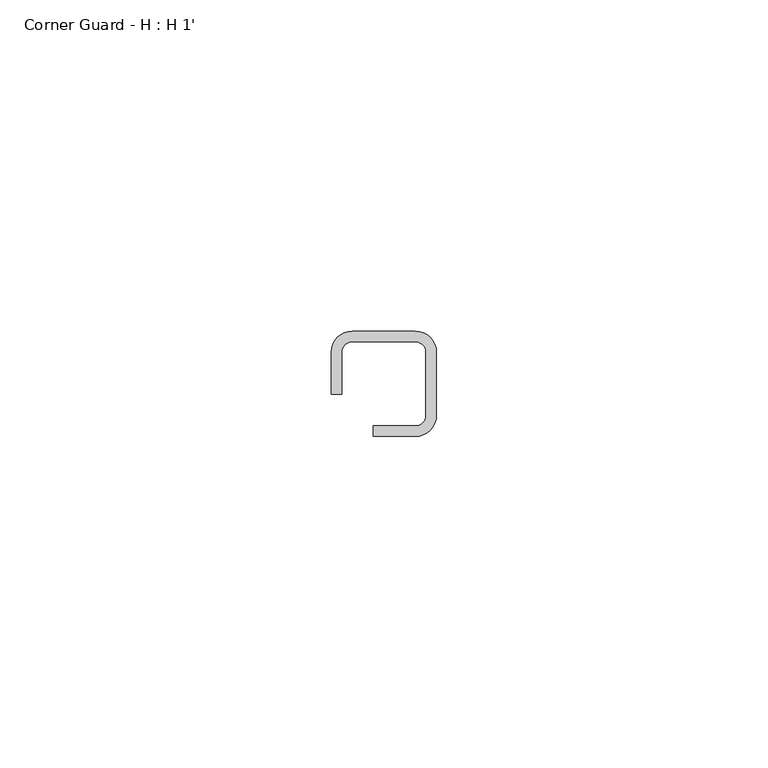
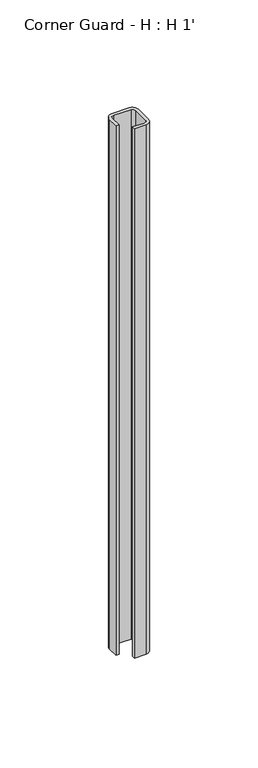
"""IFC4 building model written with IfcOpenShell, lengths in millimetres: proxy geometry, Corner Guard - H : H 1'."""

from ifc_helpers import new_model, si_unit, point, frame_2d, origin, origin_with_axes, place, context, project, spatial, polyline, circle_curve, trimmed, segment, composite_curve, outline, extrude, source, transform, mapped, element, save


def corner_guard_h_h_1_a454561b(model_context):
    return source(origin(), model_context, "Body", "SweptSolid", [
        extrude(outline(composite_curve([segment(trimmed(circle_curve(frame_2d((12.7, 12.7)), 3.175), [point((12.7, 15.875))], [point((15.875, 12.7))], False, "CARTESIAN"), True, "CONTINUOUS"), segment(polyline([(15.875, 12.7), (15.875, 3.175)]), True, "CONTINUOUS"), segment(trimmed(circle_curve(frame_2d((12.7, 3.175)), 3.175), [point((15.875, 3.175))], [point((12.7, 0.0))], False, "CARTESIAN"), True, "CONTINUOUS"), segment(polyline([(12.7, 0.0), (6.35, 0.0), (6.35, 1.5875), (12.7, 1.5875)]), True, "CONTINUOUS"), segment(trimmed(circle_curve(frame_2d((12.7, 3.175)), 1.5875), [point((12.7, 1.5875))], [point((14.2875, 3.175))], True, "CARTESIAN"), True, "CONTINUOUS"), segment(polyline([(14.2875, 3.175), (14.2875, 12.7)]), True, "CONTINUOUS"), segment(trimmed(circle_curve(frame_2d((12.7, 12.7)), 1.5875), [point((14.2875, 12.7))], [point((12.7, 14.2875))], True, "CARTESIAN"), True, "CONTINUOUS"), segment(polyline([(12.7, 14.2875), (3.175, 14.2875)]), True, "CONTINUOUS"), segment(trimmed(circle_curve(frame_2d((3.175, 12.7)), 1.5875), [point((3.175, 14.2875))], [point((1.5875, 12.7))], True, "CARTESIAN"), True, "CONTINUOUS"), segment(polyline([(1.5875, 12.7), (1.5875, 6.35), (0.0, 6.35), (0.0, 12.7)]), True, "CONTINUOUS"), segment(trimmed(circle_curve(frame_2d((3.175, 12.7)), 3.175), [point((0.0, 12.7))], [point((3.175, 15.875))], False, "CARTESIAN"), True, "CONTINUOUS"), segment(polyline([(3.175, 15.875), (12.7, 15.875)]), True, "CONTINUOUS")], self_intersect=False)), origin_with_axes(), (0.0, 0.0, 1.0), 304.8),
    ])


if __name__ == "__main__":
    model = new_model("IFC4")
    model_context = context("Model", 3, world=origin())
    ifc_project = project(units=[si_unit("LENGTHUNIT", "METRE", prefix="MILLI")], contexts=[model_context])
    site = spatial("IfcSite", under=ifc_project)
    building = spatial("IfcBuilding", under=site)
    placement = place(None, origin())
    corner_guard_h_h_1_shape = corner_guard_h_h_1_a454561b(model_context)
    element("IfcBuildingElementProxy", 1, Name="Corner Guard - H : H 1'", ObjectType="Corner Guard - H : H 1'", at=placement, inside=building, context=model_context, shape_type="MappedRepresentation", body=[
        mapped(corner_guard_h_h_1_shape, transform((0.0, 0.0, 0.0), x_axis=(1.0, 0.0, 0.0), y_axis=(0.0, 1.0, 0.0), z_axis=(0.0, 0.0, 1.0))),
    ])
    save(model, "model.ifc")
